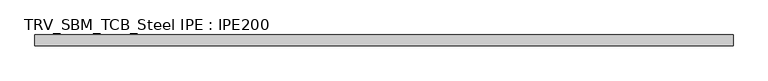
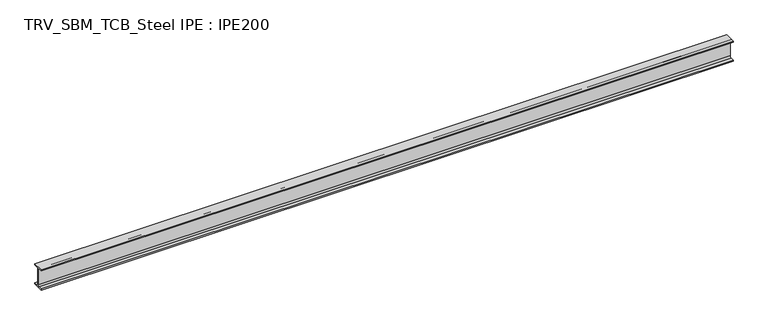
"""IFC4 building model written with IfcOpenShell, lengths in millimetres: beam geometry, TRV_SBM_TCB_Steel IPE : IPE200."""

from ifc_helpers import new_model, si_unit, point, frame, frame_2d, origin, place, context, project, spatial, polyline, circle_curve, trimmed, segment, composite_curve, outline, extrude, source, transform, mapped, element, save


def trv_sbm_tcb_steel_ipe_ipe200_b6eb0929(model_context):
    return source(origin(), model_context, "Body", "SweptSolid", [
        extrude(outline(composite_curve([segment(polyline([(-50.0, -89.3), (-18.55, -89.3)]), True, "CONTINUOUS"), segment(trimmed(circle_curve(frame_2d((-18.55, -74.3)), 15.0), [point((-18.55, -89.3))], [point((-3.55, -74.3))], True, "CARTESIAN"), True, "CONTINUOUS"), segment(polyline([(-3.55, -74.3), (-3.55, 74.3)]), True, "CONTINUOUS"), segment(trimmed(circle_curve(frame_2d((-18.55, 74.3)), 15.0), [point((-3.55, 74.3))], [point((-18.55, 89.3))], True, "CARTESIAN"), True, "CONTINUOUS"), segment(polyline([(-18.55, 89.3), (-50.0, 89.3), (-50.0, 100.0), (50.0, 100.0), (50.0, 89.3), (18.55, 89.3)]), True, "CONTINUOUS"), segment(trimmed(circle_curve(frame_2d((18.55, 74.3)), 15.0), [point((18.55, 89.3))], [point((3.55, 74.3))], True, "CARTESIAN"), True, "CONTINUOUS"), segment(polyline([(3.55, 74.3), (3.55, -74.3)]), True, "CONTINUOUS"), segment(trimmed(circle_curve(frame_2d((18.55, -74.3)), 15.0), [point((3.55, -74.3))], [point((18.55, -89.3))], True, "CARTESIAN"), True, "CONTINUOUS"), segment(polyline([(18.55, -89.3), (50.0, -89.3), (50.0, -100.0), (-50.0, -100.0), (-50.0, -89.3)]), True, "CONTINUOUS")], self_intersect=False)), frame((-3194.0, 0.0, 0.0), z_axis=(1.0, 0.0, 0.0), x_axis=(0.0, 1.0, 0.0)), (0.0, 0.0, 1.0), 6448.0),
    ])


if __name__ == "__main__":
    model = new_model("IFC4")
    model_context = context("Model", 3, world=origin())
    ifc_project = project(units=[si_unit("LENGTHUNIT", "METRE", prefix="MILLI")], contexts=[model_context])
    site = spatial("IfcSite", under=ifc_project)
    building = spatial("IfcBuilding", under=site)
    placement = place(None, origin())
    trv_sbm_tcb_steel_ipe_ipe200_shape = trv_sbm_tcb_steel_ipe_ipe200_b6eb0929(model_context)
    element("IfcBeam", 1, ObjectType="TRV_SBM_TCB_Steel IPE : IPE200", at=placement, inside=building, context=model_context, shape_type="MappedRepresentation", body=[
        mapped(trv_sbm_tcb_steel_ipe_ipe200_shape, transform((0.0, 0.0, 0.0), x_axis=(1.0, 0.0, 0.0), y_axis=(0.0, 1.0, 0.0), z_axis=(0.0, 0.0, 1.0))),
    ])
    save(model, "model.ifc")
